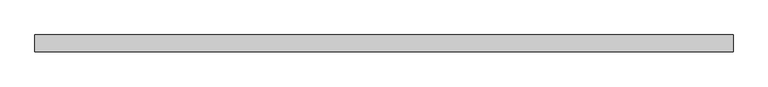
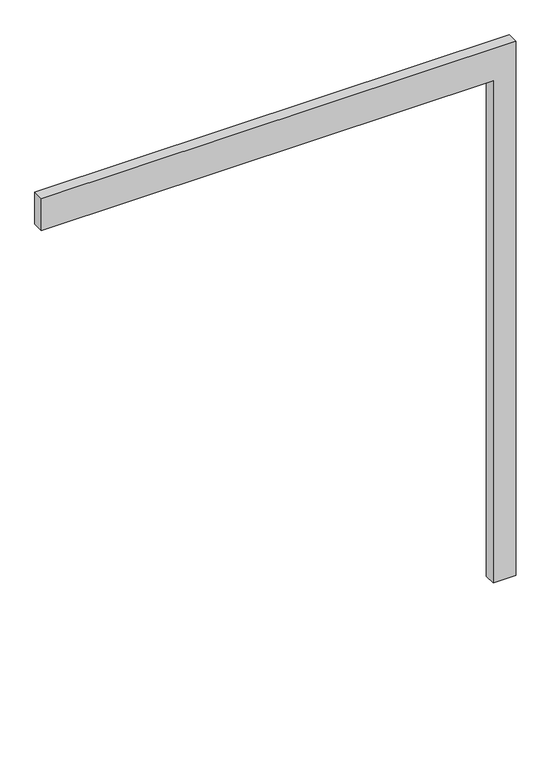
"""IFC4 building model written with IfcOpenShell, lengths in millimetres: proxy geometry."""

from ifc_helpers import new_model, si_unit, frame, origin, place, context, project, spatial, polyline, outline, extrude, source, transform, mapped, element, save


def generic_models_26b14099(model_context):
    return source(origin(), model_context, "Body", "SweptSolid", [
        extrude(outline(polyline([(2350.0, -2000.0), (2350.0, 0.0), (0.0, 0.0), (0.0, 100.0), (2500.0, 100.0), (2500.0, -2000.0), (2350.0, -2000.0)])), frame((0.0, -50.0, 0.0), z_axis=(0.0, 1.0, 0.0), x_axis=(0.0, 0.0, 1.0)), (0.0, 0.0, 1.0), 50.0),
    ])


if __name__ == "__main__":
    model = new_model("IFC4")
    model_context = context("Model", 3, world=origin())
    ifc_project = project(units=[si_unit("LENGTHUNIT", "METRE", prefix="MILLI")], contexts=[model_context])
    site = spatial("IfcSite", under=ifc_project)
    building = spatial("IfcBuilding", under=site)
    placement = place(None, origin())
    generic_models_shape = generic_models_26b14099(model_context)
    element("IfcBuildingElementProxy", 1, Name="Generic Models", at=placement, inside=building, context=model_context, shape_type="MappedRepresentation", body=[
        mapped(generic_models_shape, transform((0.0, 0.0, 0.0), x_axis=(1.0, 0.0, 0.0), y_axis=(0.0, 1.0, 0.0), z_axis=(0.0, 0.0, 1.0))),
    ])
    save(model, "model.ifc")
